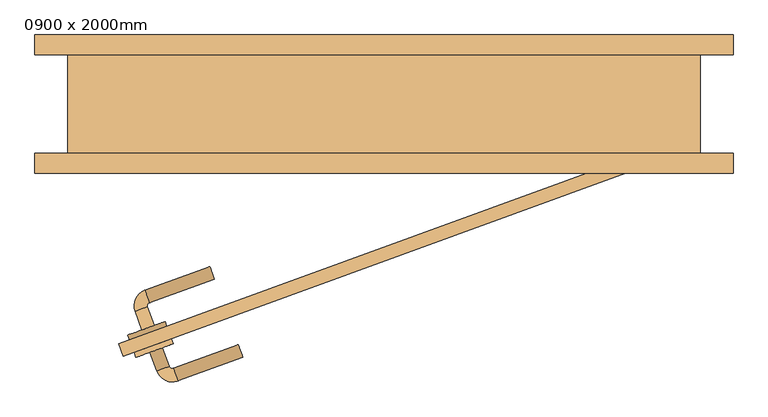
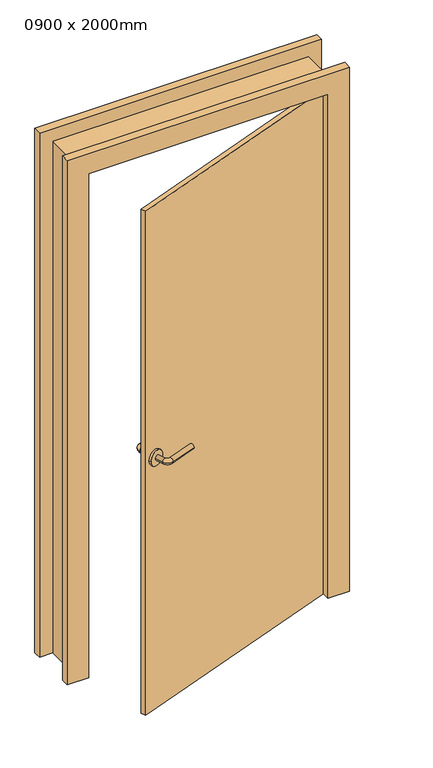
"""IFC4 building model written with IfcOpenShell, lengths in millimetres: door geometry, 0900 x 2000mm."""

from ifc_helpers import new_model, si_unit, point, frame, frame_2d, origin, place, context, project, spatial, circle_curve, ellipse_curve, trimmed, segment, composite_curve, outline, extrude, faceted_brep, source, transform, mapped, element, save
from ifc_brep_helpers import plane_surface, cylinder_surface, revolved_surface, advanced_brep


def door_0900_x_2000mm_2271c0b3(model_context):
    return source(origin(), model_context, "Body", "SolidModel", [
        advanced_brep(
        [(-367.7122179, -342.8259299, 1000.0), (-348.9183655, -335.985527, 1000.0), (-377.9728222, -314.6351513, 1000.0), (-359.1789698, -307.7947484, 1000.0), (-356.1906074, -301.3861846, 1000.0), (-363.0310103, -282.5923322, 1000.0), (-264.3632851, -246.6802171, 1000.0), (-257.5228822, -265.4740695, 1000.0)],
        [
            (0, 1, circle_curve(frame((-358.3152917, -339.4057284, 1000.0), z_axis=(0.3420201433256621, -0.9396926207859108, 0.0), x_axis=(0.9396926207859095, 0.34202014332566166, 0.0)), 10.0)),
            (1, 0, circle_curve(frame((-358.3152917, -339.4057284, 1000.0), z_axis=(0.3420201433256621, -0.9396926207859108, 0.0), x_axis=(0.9396926207859095, 0.34202014332566166, 0.0)), 10.0)),
            (0, 2),
            (2, 3, circle_curve(frame((-368.575896, -311.2149498, 1000.0), z_axis=(0.3420201433256621, -0.9396926207859108, 0.0), x_axis=(0.9396926207859095, 0.34202014332566166, 0.0)), 10.0)),
            (3, 1),
            (3, 2, circle_curve(frame((-368.575896, -311.2149498, 1000.0), z_axis=(0.3420201433256621, -0.9396926207859108, 0.0), x_axis=(0.9396926207859095, 0.34202014332566166, 0.0)), 10.0)),
            (4, 3, circle_curve(frame((-354.4805067, -306.0846477, 1000.0), z_axis=(0.0, 0.0, 1.0), x_axis=(-0.9396926207859095, -0.3420201433256617, 0.0)), 5.0)),
            (2, 5, circle_curve(frame((-354.4805067, -306.0846477, 1000.0), z_axis=(0.0, 0.0, -1.0), x_axis=(-0.9396926207859095, -0.3420201433256617, 0.0)), 25.0)),
            (5, 4, circle_curve(frame((-359.6108088, -291.9892584, 1000.0), z_axis=(-0.9396926207859086, -0.34202014332566405, 0.0), x_axis=(0.34202014332566405, -0.9396926207859086, 0.0)), 10.0)),
            (4, 5, circle_curve(frame((-359.6108088, -291.9892584, 1000.0), z_axis=(-0.9396926207859074, -0.3420201433256676, 0.0), x_axis=(0.3420201433256676, -0.9396926207859074, 0.0)), 10.0)),
            (6, 7, circle_curve(frame((-260.9430836, -256.0771433, 1000.0), z_axis=(0.9396926207859108, 0.3420201433256621, 0.0), x_axis=(0.34202014332566166, -0.9396926207859095, 0.0)), 10.0)),
            (7, 6, circle_curve(frame((-260.9430836, -256.0771433, 1000.0), z_axis=(0.9396926207859108, 0.3420201433256621, 0.0), x_axis=(0.34202014332566166, -0.9396926207859095, 0.0)), 10.0)),
            (5, 6),
            (7, 4),
        ],
        [
            plane_surface(frame((-358.3152917, -339.4057284, 1000.0), z_axis=(0.3420201433256621, -0.9396926207859108, 0.0), x_axis=(0.0, 0.0, 1.0))),
            cylinder_surface(frame((-358.3152917, -339.4057284, 1000.0), z_axis=(0.34202014332566166, -0.9396926207859095, 0.0), x_axis=(0.9396926207859095, 0.34202014332566166, 0.0)), 10.0),
            revolved_surface(trimmed(ellipse_curve(frame((-368.575896, -311.2149498, 1000.0), z_axis=(0.3420201433256617, -0.9396926207859095, 0.0), x_axis=(0.9396926207859095, 0.3420201433256617, 0.0)), 10.0, 10.0), [point((-377.9728222, -314.6351513, 1000.0))], [point((-359.1789698, -307.7947484, 1000.0))], True, "CARTESIAN"), (-354.4805067, -306.0846477, 1000.0), (0.0, 0.0, -1.0)),
            revolved_surface(trimmed(ellipse_curve(frame((-368.575896, -311.2149498, 1000.0), z_axis=(0.3420201433256617, -0.9396926207859095, 0.0), x_axis=(0.9396926207859095, 0.3420201433256617, 0.0)), 10.0, 10.0), [point((-359.1789698, -307.7947484, 1000.0))], [point((-377.9728222, -314.6351513, 1000.0))], True, "CARTESIAN"), (-354.4805067, -306.0846477, 1000.0), (0.0, 0.0, -1.0)),
            plane_surface(frame((-260.9430836, -256.0771433, 1000.0), z_axis=(0.9396926207859108, 0.3420201433256621, 0.0), x_axis=(0.0, 0.0, 1.0))),
            cylinder_surface(frame((-359.6108088, -291.9892584, 1000.0), z_axis=(-0.9396926207859095, -0.34202014332566166, 0.0), x_axis=(0.34202014332566166, -0.9396926207859095, 0.0)), 10.0),
        ],
        [
            (0, [[1, 2]]),
            (1, [[-1, 3, 4, 5]]),
            (1, [[-2, -5, 6, -3]]),
            (2, [[7, -4, 8, 9]]),
            (3, [[-8, -6, -7, 10]]),
            (4, [[11, 12]]),
            (5, [[-9, 13, -12, 14]]),
            (5, [[-10, -14, -11, -13]]),
        ],
    ),
        extrude(outline(composite_curve([segment(trimmed(circle_curve(frame_2d((0.0, -30.0)), 30.0), [point((0.0, -60.0))], [point((0.0, 0.0))], False, "CARTESIAN"), True, "CONTINUOUS"), segment(trimmed(circle_curve(frame_2d((0.0, -30.0)), 30.0), [point((0.0, 0.0))], [point((0.0, -60.0))], False, "CARTESIAN"), True, "CONTINUOUS")], self_intersect=False)), frame((-329.7375835, -337.5177155, 1000.0), z_axis=(-0.3420201433256621, 0.9396926207859108, 0.0), x_axis=(0.0, 0.0, 1.0)), (0.0, 0.0, 1.0), 8.0),
        advanced_brep(
        [(-355.3994927, -376.6548642, 1000.0), (-336.6056403, -369.8144614, 1000.0), (-326.345036, -398.00524, 1000.0), (-345.1388884, -404.8456428, 1000.0), (-319.9364722, -400.9936024, 1000.0), (-313.0960693, -419.7874548, 1000.0), (-214.4283441, -383.8753397, 1000.0), (-221.268747, -365.0814873, 1000.0)],
        [
            (0, 1, circle_curve(frame((-346.0025665, -373.2346628, 1000.0), z_axis=(-0.342020143325662, 0.9396926207859111, 0.0), x_axis=(0.9396926207859102, 0.3420201433256617, 0.0)), 10.0)),
            (1, 0, circle_curve(frame((-346.0025665, -373.2346628, 1000.0), z_axis=(-0.342020143325662, 0.9396926207859111, 0.0), x_axis=(0.9396926207859102, 0.3420201433256617, 0.0)), 10.0)),
            (1, 2),
            (2, 3, circle_curve(frame((-335.7419622, -401.4254414, 1000.0), z_axis=(-0.342020143325662, 0.9396926207859111, 0.0), x_axis=(0.9396926207859102, 0.3420201433256617, 0.0)), 10.0)),
            (3, 0),
            (3, 2, circle_curve(frame((-335.7419622, -401.4254414, 1000.0), z_axis=(-0.342020143325662, 0.9396926207859111, 0.0), x_axis=(0.9396926207859102, 0.3420201433256617, 0.0)), 10.0)),
            (4, 5, circle_curve(frame((-316.5162708, -410.3905286, 1000.0), z_axis=(-0.9396926207859113, -0.3420201433256585, 0.0), x_axis=(-0.3420201433256585, 0.9396926207859113, 0.0)), 10.0)),
            (5, 3, circle_curve(frame((-321.6465729, -396.2951393, 1000.0), z_axis=(0.0, 0.0, -1.0), x_axis=(-0.9396926207859102, -0.34202014332566166, 0.0)), 25.0)),
            (2, 4, circle_curve(frame((-321.6465729, -396.2951393, 1000.0), z_axis=(0.0, 0.0, 1.0), x_axis=(-0.9396926207859102, -0.34202014332566166, 0.0)), 5.0)),
            (5, 4, circle_curve(frame((-316.5162708, -410.3905286, 1000.0), z_axis=(-0.9396926207859111, -0.3420201433256591, 0.0), x_axis=(-0.3420201433256591, 0.9396926207859111, 0.0)), 10.0)),
            (6, 7, circle_curve(frame((-217.8485456, -374.4784135, 1000.0), z_axis=(0.9396926207859111, 0.342020143325662, 0.0), x_axis=(-0.3420201433256617, 0.9396926207859102, 0.0)), 10.0)),
            (7, 6, circle_curve(frame((-217.8485456, -374.4784135, 1000.0), z_axis=(0.9396926207859111, 0.342020143325662, 0.0), x_axis=(-0.3420201433256617, 0.9396926207859102, 0.0)), 10.0)),
            (4, 7),
            (6, 5),
        ],
        [
            plane_surface(frame((-346.0025665, -373.2346628, 1000.0), z_axis=(-0.342020143325662, 0.939692620785911, 0.0), x_axis=(0.0, 0.0, 1.0))),
            cylinder_surface(frame((-346.0025665, -373.2346628, 1000.0), z_axis=(-0.3420201433256617, 0.9396926207859102, 0.0), x_axis=(0.9396926207859102, 0.3420201433256617, 0.0)), 10.0),
            revolved_surface(trimmed(ellipse_curve(frame((-335.7419622, -401.4254414, 1000.0), z_axis=(0.34202014332566166, -0.9396926207859102, 0.0), x_axis=(0.9396926207859102, 0.34202014332566166, 0.0)), 10.0, 10.0), [point((-345.1388884, -404.8456428, 1000.0))], [point((-326.345036, -398.00524, 1000.0))], True, "CARTESIAN"), (-321.6465729, -396.2951393, 1000.0), (0.0, 0.0, -1.0)),
            revolved_surface(trimmed(ellipse_curve(frame((-335.7419622, -401.4254414, 1000.0), z_axis=(0.34202014332566166, -0.9396926207859102, 0.0), x_axis=(0.9396926207859102, 0.34202014332566166, 0.0)), 10.0, 10.0), [point((-326.345036, -398.00524, 1000.0))], [point((-345.1388884, -404.8456428, 1000.0))], True, "CARTESIAN"), (-321.6465729, -396.2951393, 1000.0), (0.0, 0.0, -1.0)),
            plane_surface(frame((-217.8485456, -374.4784135, 1000.0), z_axis=(0.939692620785911, 0.342020143325662, 0.0), x_axis=(0.0, 0.0, 1.0))),
            cylinder_surface(frame((-316.5162708, -410.3905286, 1000.0), z_axis=(-0.9396926207859102, -0.3420201433256617, 0.0), x_axis=(-0.3420201433256617, 0.9396926207859102, 0.0)), 10.0),
        ],
        [
            (0, [[1, 2]]),
            (1, [[3, 4, 5, -2]]),
            (1, [[-5, 6, -3, -1]]),
            (2, [[7, 8, -4, 9]]),
            (3, [[10, -9, -6, -8]]),
            (4, [[11, 12]]),
            (5, [[13, -11, 14, -7]]),
            (5, [[-14, -12, -13, -10]]),
        ],
    ),
        extrude(outline(composite_curve([segment(trimmed(circle_curve(frame_2d((0.0, 30.0000001)), 30.0), [point((0.0, 60.0))], [point((0.0, 0.0))], False, "CARTESIAN"), True, "CONTINUOUS"), segment(trimmed(circle_curve(frame_2d((0.0, 30.0000001)), 30.0), [point((0.0, 0.0))], [point((0.0, 60.0))], False, "CARTESIAN"), True, "CONTINUOUS")], self_intersect=False)), frame((-320.1610194, -363.8291089, 1000.0), z_axis=(-0.342020143325662, 0.939692620785911, 0.0), x_axis=(0.0, 0.0, -1.0)), (0.0, 0.0, 1.0), 8.0),
        faceted_brep([(-480.0, -75.0, 0.0), (-480.0, 75.0, 0.0), (-530.0, 75.0, 0.0), (-530.0, 105.0, 0.0), (-450.0, 105.0, 0.0), (-450.0, -105.0, 0.0), (-530.0, -105.0, 0.0), (-530.0, -75.0, 0.0), (-530.0, -75.0, 2080.0), (530.0, -75.0, 2080.0), (530.0, -75.0, 0.0), (480.0, -75.0, 0.0), (480.0, -75.0, 2030.0), (-480.0, -75.0, 2030.0), (-530.0, -105.0, 2080.0), (-450.0, -105.0, 2000.0), (450.0, -105.0, 2000.0), (450.0, -105.0, 0.0), (530.0, -105.0, 0.0), (530.0, -105.0, 2080.0), (-450.0, 105.0, 2000.0), (-530.0, 105.0, 2080.0), (530.0, 105.0, 2080.0), (530.0, 105.0, 0.0), (450.0, 105.0, 0.0), (450.0, 105.0, 2000.0), (-530.0, 75.0, 2080.0), (-480.0, 75.0, 2030.0), (480.0, 75.0, 2030.0), (480.0, 75.0, 0.0), (530.0, 75.0, 0.0), (530.0, 75.0, 2080.0)], [[[0, 1, 2, 3, 4, 5, 6, 7]], [[7, 8, 9, 10, 11, 12, 13, 0]], [[6, 14, 8, 7]], [[5, 15, 16, 17, 18, 19, 14, 6]], [[4, 20, 15, 5]], [[3, 21, 22, 23, 24, 25, 20, 4]], [[2, 26, 21, 3]], [[1, 27, 28, 29, 30, 31, 26, 2]], [[0, 13, 27, 1]], [[12, 11, 29, 28]], [[11, 10, 18, 17, 24, 23, 30, 29]], [[19, 18, 10, 9]], [[25, 24, 17, 16]], [[31, 30, 23, 22]], [[14, 19, 9, 8]], [[20, 25, 16, 15]], [[26, 31, 22, 21]], [[13, 12, 28, 27]]]),
        faceted_brep([(-395.7233587, -382.818129, 0.0), (-402.5637616, -364.0242766, 0.0), (443.1595971, -56.2061476, 0.0), (450.0, -75.0, 0.0), (-395.7233587, -382.818129, 2000.0), (450.0, -75.0, 2000.0), (443.1595971, -56.2061476, 2000.0), (-402.5637616, -364.0242766, 2000.0), (391.523912, -75.0, 2000.0)], [[[0, 1, 2, 3]], [[4, 0, 3, 5]], [[5, 3, 2, 6]], [[1, 7, 8, 6, 2]], [[7, 1, 0, 4]], [[4, 5, 6, 8, 7]]]),
    ])


if __name__ == "__main__":
    model = new_model("IFC4")
    model_context = context("Model", 3, world=origin())
    ifc_project = project(units=[si_unit("LENGTHUNIT", "METRE", prefix="MILLI")], contexts=[model_context])
    site = spatial("IfcSite", under=ifc_project)
    building = spatial("IfcBuilding", under=site)
    placement = place(None, origin())
    door_0900_x_2000mm_shape = door_0900_x_2000mm_2271c0b3(model_context)
    element("IfcDoor", 1, ObjectType="0900 x 2000mm", at=placement, inside=building, context=model_context, shape_type="MappedRepresentation", body=[
        mapped(door_0900_x_2000mm_shape, transform((0.0, 0.0, 0.0), x_axis=(1.0, 0.0, 0.0), y_axis=(0.0, 1.0, 0.0), z_axis=(0.0, 0.0, 1.0))),
    ])
    save(model, "model.ifc")
